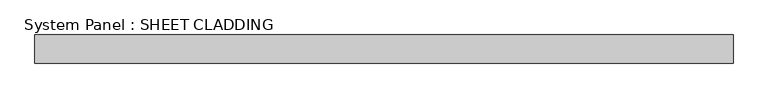
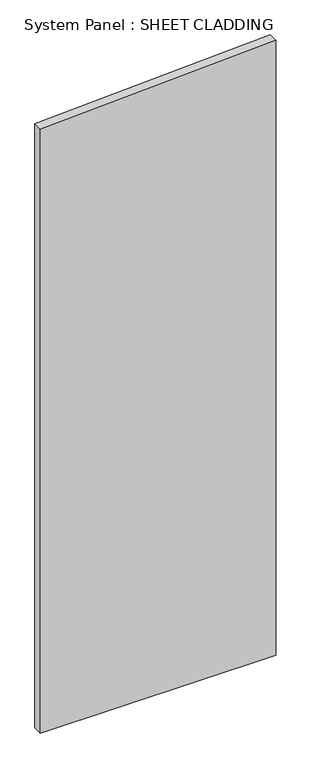
"""IFC4 building model written with IfcOpenShell, lengths in millimetres: plate geometry, System Panel : SHEET CLADDING."""

from ifc_helpers import new_model, si_unit, frame, origin, place, context, project, spatial, polyline, outline, extrude, source, transform, mapped, element, save


def system_panel_sheet_cladding_87d82377(model_context):
    return source(origin(), model_context, "Body", "SweptSolid", [
        extrude(outline(polyline([(0.0, -735.4591837), (0.0, 735.4591837), (4064.7428571, 735.4591837), (3991.1969388, -735.4591837), (0.0, -735.4591837)])), frame((0.0, -10.5, 0.0), z_axis=(0.0, 1.0, 0.0), x_axis=(0.0, 0.0, 1.0)), (0.0, 0.0, 1.0), 60.0),
    ])


if __name__ == "__main__":
    model = new_model("IFC4")
    model_context = context("Model", 3, world=origin())
    ifc_project = project(units=[si_unit("LENGTHUNIT", "METRE", prefix="MILLI")], contexts=[model_context])
    site = spatial("IfcSite", under=ifc_project)
    building = spatial("IfcBuilding", under=site)
    placement = place(None, origin())
    system_panel_sheet_cladding_shape = system_panel_sheet_cladding_87d82377(model_context)
    element("IfcPlate", 1, ObjectType="System Panel : SHEET CLADDING", at=placement, inside=building, context=model_context, shape_type="MappedRepresentation", body=[
        mapped(system_panel_sheet_cladding_shape, transform((0.0, 0.0, 0.0), x_axis=(1.0, 0.0, 0.0), y_axis=(0.0, 1.0, 0.0), z_axis=(0.0, 0.0, 1.0))),
    ])
    save(model, "model.ifc")
